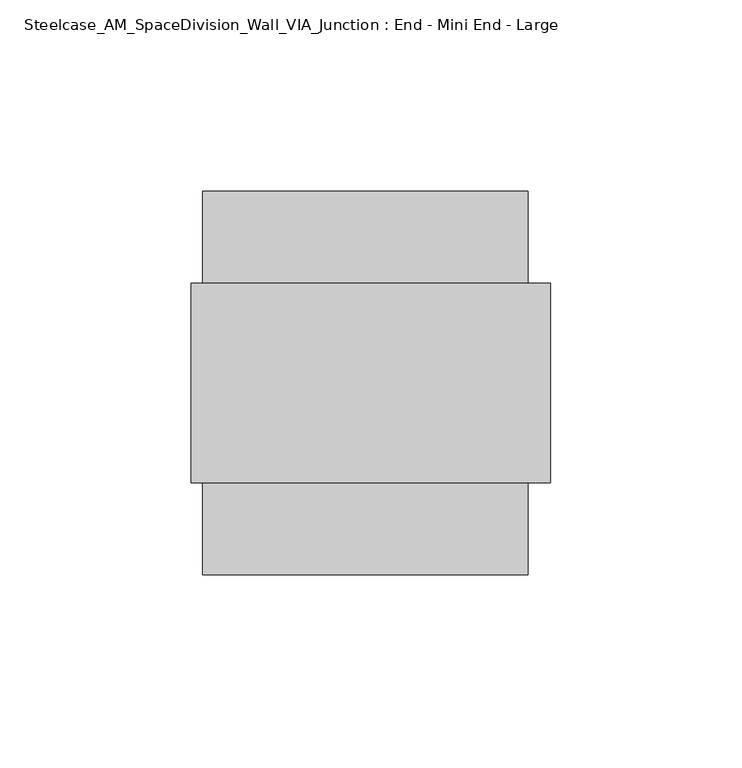
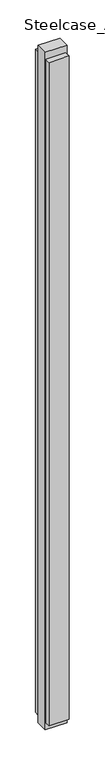
"""IFC4 building model written with IfcOpenShell, lengths in millimetres: furniture geometry, Steelcase_AM_SpaceDivision_Wall_VIA_Junction : End - Mini End - Large."""

from ifc_helpers import new_model, si_unit, frame, origin, origin_with_axes, place, context, project, spatial, polyline, outline, extrude, source, transform, mapped, element, save


def steelcase_am_spacedivision_wall_via_junction_end_mini_end_9229a6f8(model_context):
    return source(origin(), model_context, "Body", "SweptSolid", [
        extrude(outline(polyline([(-88.2059113, -50.0126), (-173.1943113, -50.0126), (-173.1943113, -25.9969), (-88.2059113, -25.9969), (-88.2059113, -50.0126)])), frame((0.0, 0.0, 32.004), z_axis=(0.0, 0.0, 1.0), x_axis=(1.0, 0.0, 0.0)), (0.0, 0.0, 1.0), 2983.992),
        extrude(outline(polyline([(-88.2059113, 50.0126), (-88.2059113, 25.9969), (-173.1943113, 25.9969), (-173.1943113, 50.0126), (-88.2059113, 50.0126)])), frame((0.0, 0.0, 32.004), z_axis=(0.0, 0.0, 1.0), x_axis=(1.0, 0.0, 0.0)), (0.0, 0.0, 1.0), 2983.992),
        extrude(outline(polyline([(-176.1915113, -25.9969), (-176.1915113, 25.9969), (-82.3131113, 25.9969), (-82.3131113, -25.9969), (-176.1915113, -25.9969)])), origin_with_axes(), (0.0, 0.0, 1.0), 3048.0),
    ])


if __name__ == "__main__":
    model = new_model("IFC4")
    model_context = context("Model", 3, world=origin())
    ifc_project = project(units=[si_unit("LENGTHUNIT", "METRE", prefix="MILLI")], contexts=[model_context])
    site = spatial("IfcSite", under=ifc_project)
    building = spatial("IfcBuilding", under=site)
    placement = place(None, origin())
    steelcase_am_spacedivision_wall_via_junction_end_mini_end_shape = steelcase_am_spacedivision_wall_via_junction_end_mini_end_9229a6f8(model_context)
    element("IfcFurniture", 1, ObjectType="Steelcase_AM_SpaceDivision_Wall_VIA_Junction : End - Mini End - Large", at=placement, inside=building, context=model_context, shape_type="MappedRepresentation", body=[
        mapped(steelcase_am_spacedivision_wall_via_junction_end_mini_end_shape, transform((0.0, 0.0, 0.0), x_axis=(1.0, 0.0, 0.0), y_axis=(0.0, 1.0, 0.0), z_axis=(0.0, 0.0, 1.0))),
    ])
    save(model, "model.ifc")
